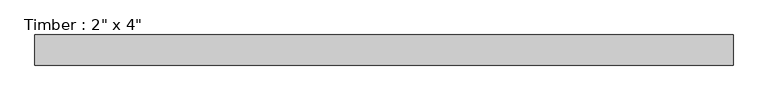
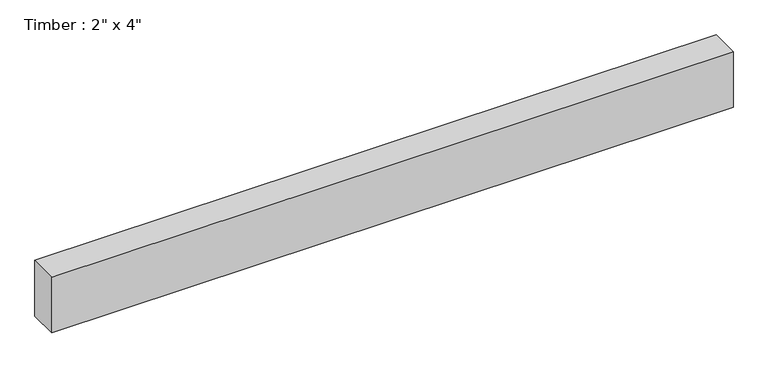
"""IFC4 building model written with IfcOpenShell, lengths in millimetres: beam geometry."""

from ifc_helpers import new_model, si_unit, frame, origin, place, context, project, spatial, polyline, outline, extrude, source, transform, mapped, element, save


def beam_6905dde5(model_context):
    return source(origin(), model_context, "Body", "SweptSolid", [
        extrude(outline(polyline([(588.5802634, -25.4), (-588.5802634, -25.4), (-588.5802634, 25.4), (588.5802634, 25.4), (588.5802634, -25.4)])), frame((0.0, 0.0, -50.8), z_axis=(0.0, 0.0, 1.0), x_axis=(1.0, 0.0, 0.0)), (0.0, 0.0, 1.0), 101.6),
    ])


if __name__ == "__main__":
    model = new_model("IFC4")
    model_context = context("Model", 3, world=origin())
    ifc_project = project(units=[si_unit("LENGTHUNIT", "METRE", prefix="MILLI")], contexts=[model_context])
    site = spatial("IfcSite", under=ifc_project)
    building = spatial("IfcBuilding", under=site)
    placement = place(None, origin())
    beam_shape = beam_6905dde5(model_context)
    element("IfcBeam", 1, ObjectType="Timber : 2\" x 4\"", at=placement, inside=building, context=model_context, shape_type="MappedRepresentation", body=[
        mapped(beam_shape, transform((0.0, 0.0, 0.0), x_axis=(1.0, 0.0, 0.0), y_axis=(0.0, 1.0, 0.0), z_axis=(0.0, 0.0, 1.0))),
    ])
    save(model, "model.ifc")
